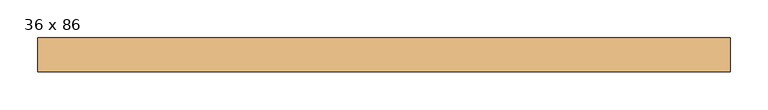
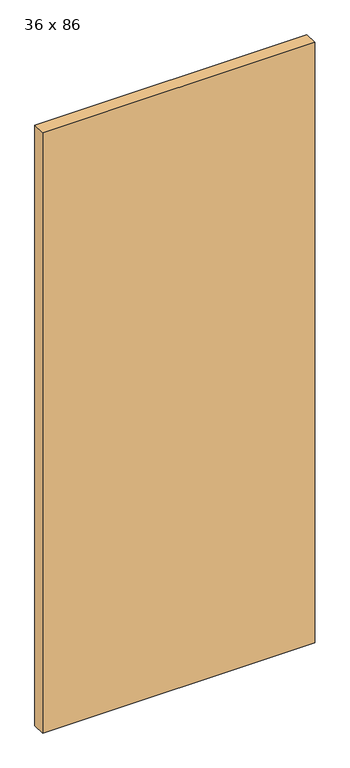
"""IFC4 building model written with IfcOpenShell, lengths in millimetres: door geometry, 36 x 86."""

from ifc_helpers import new_model, si_unit, origin, origin_with_axes, place, context, project, spatial, polyline, outline, extrude, source, transform, mapped, element, save


def door_36_x_86_af23d9b0(model_context):
    return source(origin(), model_context, "Body", "SweptSolid", [
        extrude(outline(polyline([(0.0, 0.0), (-914.4, 0.0), (-914.4, 44.45), (0.0, 44.45), (0.0, 0.0)])), origin_with_axes(), (0.0, 0.0, 1.0), 2133.6),
    ])


if __name__ == "__main__":
    model = new_model("IFC4")
    model_context = context("Model", 3, world=origin())
    ifc_project = project(units=[si_unit("LENGTHUNIT", "METRE", prefix="MILLI")], contexts=[model_context])
    site = spatial("IfcSite", under=ifc_project)
    building = spatial("IfcBuilding", under=site)
    placement = place(None, origin())
    door_36_x_86_shape = door_36_x_86_af23d9b0(model_context)
    element("IfcDoor", 1, ObjectType="36 x 86", at=placement, inside=building, context=model_context, shape_type="MappedRepresentation", body=[
        mapped(door_36_x_86_shape, transform((0.0, 0.0, 0.0), x_axis=(1.0, 0.0, 0.0), y_axis=(0.0, 1.0, 0.0), z_axis=(0.0, 0.0, 1.0))),
    ])
    save(model, "model.ifc")
